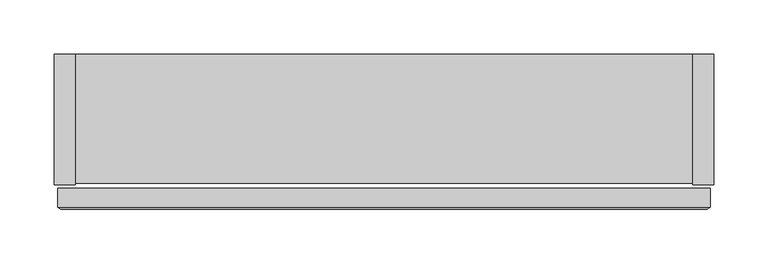
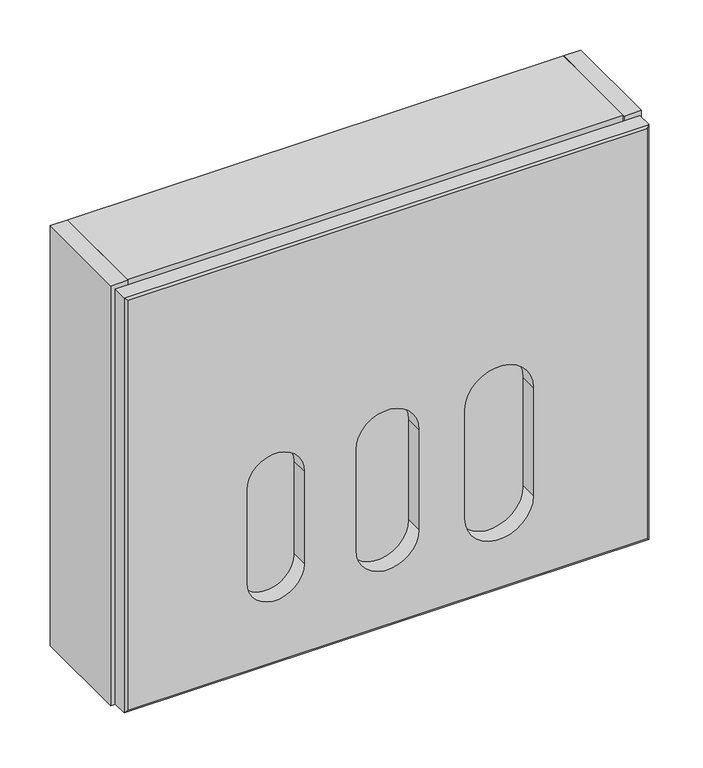
"""IFC4 building model written with IfcOpenShell, lengths in millimetres: furniture geometry."""

from ifc_helpers import new_model, si_unit, frame, origin, place, context, project, spatial, polyline, circle_curve, outline, extrude, source, transform, mapped, element, save
from ifc_brep_helpers import plane_surface, revolved_surface, advanced_brep


def furniture_0cee7692(model_context):
    return source(origin(), model_context, "Body", "SolidModel", [
        advanced_brep(
        [(320.3627049, -123.8338814, 2115.82762), (-282.8872951, -123.8338814, 2115.82762), (-282.8872951, -141.5673284, 2115.82762), (319.9328447, -141.5673284, 2115.82762), (320.3627049, -141.2830131, 2115.82762), (320.3627049, -123.8338814, 1611.2916491), (320.3627049, -141.2830131, 1611.2916491), (319.9328447, -141.5673284, 1611.2916491), (-282.8872951, -141.5673284, 1611.2916491), (-282.8872951, -123.8338814, 1611.2916491), (-76.8450351, -123.8338814, 1834.249802), (-142.6437351, -123.8338814, 1834.249802), (-142.6437351, -123.8338814, 1721.5781094), (-76.8450351, -123.8338814, 1721.5781094), (54.8031649, -123.8338814, 1839.0247281), (-17.3277551, -123.8338814, 1839.0247281), (-17.3277551, -123.8338814, 1716.8762694), (54.8031649, -123.8338814, 1716.8762694), (186.4361249, -123.8338814, 1843.8755265), (107.8942449, -123.8338814, 1843.8755265), (107.8942449, -123.8338814, 1712.0358693), (186.4361249, -123.8338814, 1712.0358693), (-279.7075114, -143.3857356, 1614.460303), (-279.7122951, -143.383, 2112.65262), (317.1877049, -143.383, 1614.4555361), (317.1877049, -143.383, 2112.65262), (-142.6437351, -143.383, 1834.249802), (-76.8450351, -143.383, 1834.249802), (-76.8450351, -143.383, 1721.5781094), (-142.6437351, -143.383, 1721.5781094), (-17.3277551, -143.383, 1839.0247281), (54.8031649, -143.383, 1839.0247281), (54.8031649, -143.383, 1716.8762694), (-17.3277551, -143.383, 1716.8762694), (107.8942449, -143.383, 1843.8755265), (186.4361249, -143.383, 1843.8755265), (186.4361249, -143.383, 1712.0358693), (107.8942449, -143.383, 1712.0358693)],
        [
            (0, 1),
            (1, 2),
            (2, 3),
            (3, 4),
            (4, 0),
            (5, 6),
            (6, 7),
            (7, 8),
            (8, 9),
            (9, 5),
            (0, 5),
            (9, 1),
            (10, 11, circle_curve(frame((-109.7443851, -123.8338814, 1834.249802), z_axis=(0.0, -1.0, 0.0), x_axis=(-1.0, 0.0, 0.0)), 32.89935)),
            (11, 12),
            (12, 13, circle_curve(frame((-109.7443851, -123.8338814, 1721.5781094), z_axis=(0.0, -1.0, 0.0), x_axis=(-1.0, 0.0, 0.0)), 32.89935)),
            (13, 10),
            (14, 15, circle_curve(frame((18.7377049, -123.8338814, 1839.0247281), z_axis=(0.0, -1.0, 0.0), x_axis=(-1.0, 0.0, 0.0)), 36.06546)),
            (15, 16),
            (16, 17, circle_curve(frame((18.7377049, -123.8338814, 1716.8762694), z_axis=(0.0, -1.0, 0.0), x_axis=(-1.0, 0.0, 0.0)), 36.06546)),
            (17, 14),
            (18, 19, circle_curve(frame((147.1651849, -123.8338814, 1843.8755265), z_axis=(0.0, -1.0, 0.0), x_axis=(-1.0, 0.0, 0.0)), 39.27094)),
            (19, 20),
            (20, 21, circle_curve(frame((147.1651849, -123.8338814, 1712.0358693), z_axis=(0.0, -1.0, 0.0), x_axis=(-1.0, 0.0, 0.0)), 39.27094)),
            (21, 18),
            (8, 2),
            (8, 22),
            (22, 23),
            (23, 2),
            (22, 24),
            (24, 25),
            (25, 23),
            (26, 27, circle_curve(frame((-109.7443851, -143.383, 1834.249802), z_axis=(0.0, 1.0, 0.0), x_axis=(-1.0, 0.0, 0.0)), 32.89935)),
            (27, 28),
            (28, 29, circle_curve(frame((-109.7443851, -143.383, 1721.5781094), z_axis=(0.0, 1.0, 0.0), x_axis=(-1.0, 0.0, 0.0)), 32.89935)),
            (29, 26),
            (30, 31, circle_curve(frame((18.7377049, -143.383, 1839.0247281), z_axis=(0.0, 1.0, 0.0), x_axis=(-1.0, 0.0, 0.0)), 36.06546)),
            (31, 32),
            (32, 33, circle_curve(frame((18.7377049, -143.383, 1716.8762694), z_axis=(0.0, 1.0, 0.0), x_axis=(-1.0, 0.0, 0.0)), 36.06546)),
            (33, 30),
            (34, 35, circle_curve(frame((147.1651849, -143.383, 1843.8755265), z_axis=(0.0, 1.0, 0.0), x_axis=(-1.0, 0.0, 0.0)), 39.27094)),
            (35, 36),
            (36, 37, circle_curve(frame((147.1651849, -143.383, 1712.0358693), z_axis=(0.0, 1.0, 0.0), x_axis=(-1.0, 0.0, 0.0)), 39.27094)),
            (37, 34),
            (6, 4),
            (3, 25),
            (24, 7),
            (10, 27),
            (26, 11),
            (29, 12),
            (28, 13),
            (14, 31),
            (30, 15),
            (33, 16),
            (32, 17),
            (18, 35),
            (34, 19),
            (37, 20),
            (36, 21),
        ],
        [
            plane_surface(frame((-282.8872951, -123.8338814, 2115.82762), z_axis=(0.0, 0.0, 1.0), x_axis=(-1.0, 0.0, 0.0))),
            plane_surface(frame((-282.8872951, -123.8338814, 1611.2916491), z_axis=(0.0, 0.0, -1.0), x_axis=(1.0, 0.0, 0.0))),
            plane_surface(frame((320.3627049, -123.8338814, 2115.82762), z_axis=(0.0, 1.0, 0.0), x_axis=(0.0, 0.0, -1.0))),
            plane_surface(frame((-282.8872951, -123.8338814, 2115.82762), z_axis=(-1.0, 0.0, 0.0), x_axis=(0.0, 0.0, -1.0))),
            plane_surface(frame((-282.8872951, -141.5673284, 2115.82762), z_axis=(-0.4964245632747041, -0.8680798655524268, 0.0), x_axis=(0.0, 0.0, -1.0))),
            plane_surface(frame((-279.7122951, -143.383, 2115.82762), z_axis=(0.0, -1.0, 0.0), x_axis=(0.0, 0.0, -1.0))),
            plane_surface(frame((317.1877049, -143.383, 2115.82762), z_axis=(0.5516629897871268, -0.8340671110283203, 0.0), x_axis=(0.0, 0.0, -1.0))),
            plane_surface(frame((320.3627049, -141.2830131, 2115.82762), z_axis=(1.0, 0.0, 0.0), x_axis=(0.0, 0.0, -1.0))),
            plane_surface(frame((-282.8872951, -141.5673284, 2115.82762), z_axis=(0.0, -0.8680798655322226, 0.49642456331003443), x_axis=(1.0, 0.0, 0.0))),
            plane_surface(frame((-282.8872951, -143.3893914, 1614.4666733), z_axis=(0.0, -0.867328114728689, -0.49773681941481707), x_axis=(1.0, 0.0, 0.0))),
            revolved_surface(polyline([(-142.64373510000001, -143.383, 1834.249802), (-142.64373510000001, -123.8338814, 1834.249802)]), (-109.7443851, -152.4, 1834.249802), (0.0, -1.0, 0.0)),
            plane_surface(frame((-142.6437351, -152.4, 1834.249802), z_axis=(1.0, 0.0, 0.0), x_axis=(0.0, 1.0, 0.0))),
            revolved_surface(polyline([(-142.64373510000001, -143.383, 1721.5781094), (-142.64373510000001, -123.8338814, 1721.5781094)]), (-109.7443851, -152.4, 1721.5781094), (0.0, -1.0, 0.0)),
            plane_surface(frame((-76.8450351, -152.4, 1721.5781094), z_axis=(-1.0, 0.0, 0.0), x_axis=(0.0, 1.0, 0.0))),
            revolved_surface(polyline([(-17.3277551, -143.383, 1839.0247281), (-17.3277551, -123.8338814, 1839.0247281)]), (18.7377049, -152.4, 1839.0247281), (0.0, -1.0, 0.0)),
            plane_surface(frame((-17.3277551, -152.4, 1839.0247281), z_axis=(1.0, 0.0, 0.0), x_axis=(0.0, 1.0, 0.0))),
            revolved_surface(polyline([(-17.3277551, -143.383, 1716.8762694), (-17.3277551, -123.8338814, 1716.8762694)]), (18.7377049, -152.4, 1716.8762694), (0.0, -1.0, 0.0)),
            plane_surface(frame((54.8031649, -152.4, 1716.8762694), z_axis=(-1.0, 0.0, 0.0), x_axis=(0.0, 1.0, 0.0))),
            revolved_surface(polyline([(107.89424490000002, -143.383, 1843.8755265), (107.89424490000002, -123.8338814, 1843.8755265)]), (147.1651849, -152.4, 1843.8755265), (0.0, -1.0, 0.0)),
            plane_surface(frame((107.8942449, -152.4, 1843.8755265), z_axis=(1.0, 0.0, 0.0), x_axis=(0.0, 1.0, 0.0))),
            revolved_surface(polyline([(107.89424490000002, -143.383, 1712.0358693), (107.89424490000002, -123.8338814, 1712.0358693)]), (147.1651849, -152.4, 1712.0358693), (0.0, -1.0, 0.0)),
            plane_surface(frame((186.4361249, -152.4, 1712.0358693), z_axis=(-1.0, 0.0, 0.0), x_axis=(0.0, 1.0, 0.0))),
        ],
        [
            (0, [[1, 2, 3, 4, 5]]),
            (1, [[6, 7, 8, 9, 10]]),
            (2, [[-1, 11, -10, 12], [13, 14, 15, 16], [17, 18, 19, 20], [21, 22, 23, 24]]),
            (3, [[-2, -12, -9, 25]]),
            (4, [[-25, 26, 27, 28]]),
            (5, [[-27, 29, 30, 31], [32, 33, 34, 35], [36, 37, 38, 39], [40, 41, 42, 43]]),
            (6, [[44, -4, 45, -30, 46, -7]]),
            (7, [[-5, -44, -6, -11]]),
            (8, [[-3, -28, -31, -45]]),
            (9, [[-8, -46, -29, -26]]),
            (10, [[47, -32, 48, -13]]),
            (11, [[-48, -35, 49, -14]]),
            (12, [[-49, -34, 50, -15]]),
            (13, [[-47, -16, -50, -33]]),
            (14, [[51, -36, 52, -17]]),
            (15, [[-52, -39, 53, -18]]),
            (16, [[-53, -38, 54, -19]]),
            (17, [[-51, -20, -54, -37]]),
            (18, [[55, -40, 56, -21]]),
            (19, [[-56, -43, 57, -22]]),
            (20, [[-57, -42, 58, -23]]),
            (21, [[-55, -24, -58, -41]]),
        ],
    ),
        extrude(outline(polyline([(303.9916112, 0.0), (323.5377049, 0.0), (323.5377049, -120.6673323), (303.9916112, -120.6673323), (303.9916112, 0.0)])), frame((0.0, 0.0, 1608.13242), z_axis=(0.0, 0.0, 1.0), x_axis=(1.0, 0.0, 0.0)), (0.0, 0.0, 1.0), 510.8702),
        extrude(outline(polyline([(-286.0622951, 0.0), (-266.5042951, 0.0), (-266.5042951, -120.6673323), (-286.0622951, -120.6673323), (-286.0622951, 0.0)])), frame((0.0, 0.0, 1608.13242), z_axis=(0.0, 0.0, 1.0), x_axis=(1.0, 0.0, 0.0)), (0.0, 0.0, 1.0), 510.8702),
        extrude(outline(polyline([(-266.5042951, 0.0), (303.9916112, 0.0), (303.9916112, -119.1434064), (-266.5042951, -119.1434064), (-266.5042951, 0.0)])), frame((0.0, 0.0, 1608.13242), z_axis=(0.0, 0.0, 1.0), x_axis=(1.0, 0.0, 0.0)), (0.0, 0.0, 1.0), 510.8702),
    ])


if __name__ == "__main__":
    model = new_model("IFC4")
    model_context = context("Model", 3, world=origin())
    ifc_project = project(units=[si_unit("LENGTHUNIT", "METRE", prefix="MILLI")], contexts=[model_context])
    site = spatial("IfcSite", under=ifc_project)
    building = spatial("IfcBuilding", under=site)
    placement = place(None, origin())
    furniture_shape = furniture_0cee7692(model_context)
    element("IfcFurniture", 1, at=placement, inside=building, context=model_context, shape_type="MappedRepresentation", body=[
        mapped(furniture_shape, transform((0.0, 0.0, 0.0), x_axis=(1.0, 0.0, 0.0), y_axis=(0.0, 1.0, 0.0), z_axis=(0.0, 0.0, 1.0))),
    ])
    save(model, "model.ifc")
